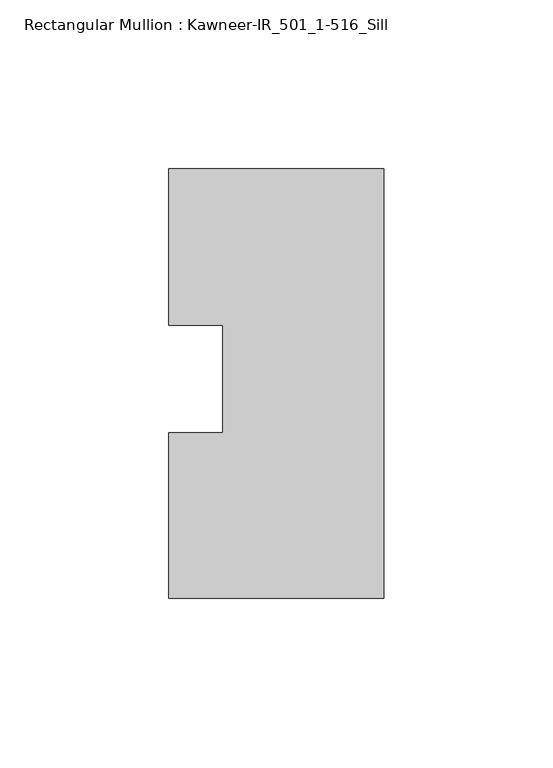
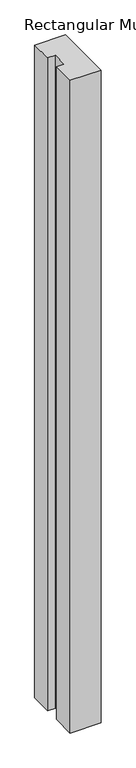
"""IFC4 building model written with IfcOpenShell, lengths in millimetres: member geometry, Rectangular Mullion : Kawneer-IR_501_1-516_Sill."""

import ifcopenshell
import ifcopenshell.guid

model = None  # the IFC model being written
_history = None  # IfcOwnerHistory: only IFC2X3 demands one
_inside = {}  # id of a spatial element -> (the spatial element, [elements in it])
_under = {}  # id of a project, library or spatial element -> (it, [spatial elements below it])
_declared = {}  # id of a project -> (the project, [libraries it declares])
_typed = {}  # id of a type object -> (the type object, [elements of that type])
_made_of = {}  # id of a material, layer set ... -> (it, [elements and type objects made of it])


def new_model(schema):
    """Start an empty IFC model of exactly this schema.

    Asked for "IFC4X3", IfcOpenShell would pick the latest addendum, in which some entities
    have other attributes; the version numbers below select the first issue.
    IFC2X3 requires an IfcOwnerHistory on every rooted entity: one is made here for all.
    """
    global model, _history
    if schema == "IFC4X3":
        model = ifcopenshell.file(schema_version=(4, 3, 0, 0))
    else:
        model = ifcopenshell.file(schema=schema)
    _inside.clear()
    _under.clear()
    _declared.clear()
    _typed.clear()
    _made_of.clear()
    _history = None
    if model.schema == "IFC2X3":
        org = make("IfcOrganization", Name="unknown")
        user = make(
            "IfcPersonAndOrganization",
            ThePerson=make("IfcPerson", FamilyName="unknown"),
            TheOrganization=org,
        )
        app = make(
            "IfcApplication",
            ApplicationDeveloper=org,
            Version="unknown",
            ApplicationFullName="unknown",
            ApplicationIdentifier="unknown",
        )
        _history = make(
            "IfcOwnerHistory",
            OwningUser=user,
            OwningApplication=app,
            ChangeAction="ADDED",
            CreationDate=0,
        )
    return model


def make(cls, **values):
    """One entity of the class cls with the attributes given. An attribute that is None is left unset."""
    return model.create_entity(
        cls, **{name: value for name, value in values.items() if value is not None}
    )


def rooted(cls, **values):
    """An entity with a GlobalId (a new one), such as an element, a storey or a relation."""
    return make(cls, GlobalId=ifcopenshell.guid.new(), OwnerHistory=_history, **values)


def si_unit(unit_type, name, prefix=None):
    """IfcSIUnit, for example si_unit("LENGTHUNIT", "METRE", prefix="MILLI")."""
    return make("IfcSIUnit", UnitType=unit_type, Prefix=prefix, Name=name)


def assignment(units):
    """IfcUnitAssignment: the units of a project."""
    return None if units is None else make("IfcUnitAssignment", Units=units)


def point(xyz):
    """IfcCartesianPoint."""
    return None if xyz is None else make("IfcCartesianPoint", Coordinates=xyz)


def direction(xyz):
    """IfcDirection."""
    return None if xyz is None else make("IfcDirection", DirectionRatios=xyz)


def frame(location, z_axis=None, x_axis=None):
    """IfcAxis2Placement3D, a coordinate frame: its origin and axes. An axis left out is left unset."""
    return make(
        "IfcAxis2Placement3D",
        Location=point(location),
        Axis=direction(z_axis),
        RefDirection=direction(x_axis),
    )


def origin():
    """The frame at (0, 0, 0) with its axes left unset."""
    return frame((0.0, 0.0, 0.0))


def place(relative_to, where):
    """IfcLocalPlacement: puts the frame where relative to a parent placement (None: the world)."""
    return make(
        "IfcLocalPlacement", PlacementRelTo=relative_to, RelativePlacement=where
    )


def context(
    kind, dimensions, precision=None, world=None, true_north=None, identifier=None
):
    """IfcGeometricRepresentationContext, for example the 3D "Model" context."""
    return make(
        "IfcGeometricRepresentationContext",
        ContextIdentifier=identifier,
        ContextType=kind,
        CoordinateSpaceDimension=dimensions,
        Precision=precision,
        WorldCoordinateSystem=world,
        TrueNorth=true_north,
    )


def project(units=None, contexts=None):
    """IfcProject with its units and contexts."""
    return rooted(
        "IfcProject",
        Name="project",
        RepresentationContexts=contexts,
        UnitsInContext=assignment(units),
    )


def spatial(cls, under=None, at=None, **own):
    """A site, building, storey or space (cls), placed at a placement, below another one or the project."""
    s = rooted(cls, ObjectPlacement=at, **own)
    if under is not None:
        _under.setdefault(under.id(), (under, []))[1].append(s)
    return s


def polyline(points):
    """IfcPolyline through the points."""
    return make("IfcPolyline", Points=[point(p) for p in points])


def outline(outer, holes=None, kind="AREA"):
    """IfcArbitraryClosedProfileDef: a profile drawn as a closed curve; with holes, ...WithVoids."""
    if holes is None:
        return make("IfcArbitraryClosedProfileDef", ProfileType=kind, OuterCurve=outer)
    return make(
        "IfcArbitraryProfileDefWithVoids",
        ProfileType=kind,
        OuterCurve=outer,
        InnerCurves=holes,
    )


def extrude(swept, where, along, depth):
    """IfcExtrudedAreaSolid: the profile swept, set in the frame where, extruded along a direction by depth."""
    return make(
        "IfcExtrudedAreaSolid",
        SweptArea=swept,
        Position=where,
        ExtrudedDirection=direction(along),
        Depth=depth,
    )


def shape(context_of_items, identifier, shape_type, items):
    """IfcShapeRepresentation: the items that make up one representation, for example the "Body"."""
    return make(
        "IfcShapeRepresentation",
        ContextOfItems=context_of_items,
        RepresentationIdentifier=identifier,
        RepresentationType=shape_type,
        Items=items,
    )


def source(mapping_origin, context_of_items, identifier, shape_type, items):
    """IfcRepresentationMap: a shape defined once, which mapped items show again and again."""
    return make(
        "IfcRepresentationMap",
        MappingOrigin=mapping_origin,
        MappedRepresentation=shape(context_of_items, identifier, shape_type, items),
    )


def transform(
    local_origin,
    x_axis=None,
    y_axis=None,
    z_axis=None,
    scale=None,
    scale2=None,
    scale3=None,
    uniform=True,
):
    """IfcCartesianTransformationOperator3D, or its non-uniform kind. x_axis, y_axis, z_axis: its Axis1, 2, 3."""
    if uniform:
        return make(
            "IfcCartesianTransformationOperator3D",
            Axis1=direction(x_axis),
            Axis2=direction(y_axis),
            LocalOrigin=point(local_origin),
            Scale=scale,
            Axis3=direction(z_axis),
        )
    return make(
        "IfcCartesianTransformationOperator3DnonUniform",
        Axis1=direction(x_axis),
        Axis2=direction(y_axis),
        LocalOrigin=point(local_origin),
        Scale=scale,
        Axis3=direction(z_axis),
        Scale2=scale2,
        Scale3=scale3,
    )


def mapped(mapping_source, mapping_target):
    """IfcMappedItem: shows the shape of a source again, moved by a transform."""
    return make(
        "IfcMappedItem", MappingSource=mapping_source, MappingTarget=mapping_target
    )


def made_of(thing, what):
    """Note that an element or type object is made of a material, layer set ...; save() writes the relation."""
    if what is not None:
        _made_of.setdefault(what.id(), (what, []))[1].append(thing)
    return thing


def element(
    cls,
    number,
    at=None,
    inside=None,
    cuts=None,
    type_object=None,
    material=None,
    context=None,
    identifier="Body",
    shape_type=None,
    held_by="IfcProductDefinitionShape",
    body=None,
    shapes=None,
    **own,
):
    """One element of the class cls, such as IfcWall. Its Tag is "e" and its number.

    at: its placement. inside: the storey or other place that contains it. cuts: it is an
    opening in that element (IfcRelVoidsElement). A single representation is given by context,
    identifier, shape_type and body (its items); several are given by shapes. held_by: the class
    of the entity that holds the representations. save() writes the other relations.
    """
    e = rooted(cls, Tag="e%d" % number, ObjectPlacement=at, **own)
    if body is not None:
        shapes = [shape(context, identifier, shape_type, body)]
    if shapes is not None:
        e.Representation = make(held_by, Representations=shapes)
    if inside is not None:
        _inside.setdefault(inside.id(), (inside, []))[1].append(e)
    if cuts is not None:
        rooted(
            "IfcRelVoidsElement", RelatingBuildingElement=cuts, RelatedOpeningElement=e
        )
    if type_object is not None:
        _typed.setdefault(type_object.id(), (type_object, []))[1].append(e)
    return made_of(e, material)


def aggregate(whole, parts):
    """IfcRelAggregates: a whole, such as a stair, and the parts it consists of."""
    return rooted("IfcRelAggregates", RelatingObject=whole, RelatedObjects=parts)


def save(model, path):
    """Write the relations noted so far, then the file.

    IfcRelAggregates (storeys below a building ...), IfcRelContainedInSpatialStructure (elements
    in a storey), IfcRelDefinesByType, IfcRelAssociatesMaterial and IfcRelDeclares: one each for
    every whole, place, type object, material and project.
    """
    for whole, parts in _under.values():
        aggregate(whole, parts)
    for where, things in _inside.values():
        rooted(
            "IfcRelContainedInSpatialStructure",
            RelatedElements=things,
            RelatingStructure=where,
        )
    for kind, things in _typed.values():
        rooted("IfcRelDefinesByType", RelatedObjects=things, RelatingType=kind)
    for what, things in _made_of.values():
        rooted("IfcRelAssociatesMaterial", RelatedObjects=things, RelatingMaterial=what)
    for by, libraries in _declared.values():
        rooted("IfcRelDeclares", RelatingContext=by, RelatedDefinitions=libraries)
    model.write(path)


def rectangular_mullion_kawneer_ir_501_1_516_sill_1e0ae67c(model_context):
    return source(origin(), model_context, "Body", "SweptSolid", [
        extrude(outline(polyline([(-63.5, -39.6875), (-63.5, 9.3110967), (-47.6250184, 9.3110967), (-47.6250184, 41.0610967), (-63.5, 41.0610967), (-63.5, 87.3125), (0.0, 87.3125), (0.0, -39.6875), (-63.5, -39.6875)])), frame((0.0, 0.0, -1424.2953311), z_axis=(0.0, 0.0, 1.0), x_axis=(1.0, 0.0, 0.0)), (0.0, 0.0, 1.0), 1424.2953311),
    ])


if __name__ == "__main__":
    model = new_model("IFC4")
    model_context = context("Model", 3, world=origin())
    ifc_project = project(units=[si_unit("LENGTHUNIT", "METRE", prefix="MILLI")], contexts=[model_context])
    site = spatial("IfcSite", under=ifc_project)
    building = spatial("IfcBuilding", under=site)
    placement = place(None, origin())
    rectangular_mullion_kawneer_ir_501_1_516_sill_shape = rectangular_mullion_kawneer_ir_501_1_516_sill_1e0ae67c(model_context)
    element("IfcMember", 1, ObjectType="Rectangular Mullion : Kawneer-IR_501_1-516_Sill", at=placement, inside=building, context=model_context, shape_type="MappedRepresentation", body=[
        mapped(rectangular_mullion_kawneer_ir_501_1_516_sill_shape, transform((0.0, 0.0, 0.0), x_axis=(1.0, 0.0, 0.0), y_axis=(0.0, 1.0, 0.0), z_axis=(0.0, 0.0, 1.0))),
    ])
    save(model, "model.ifc")
